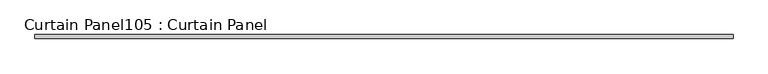
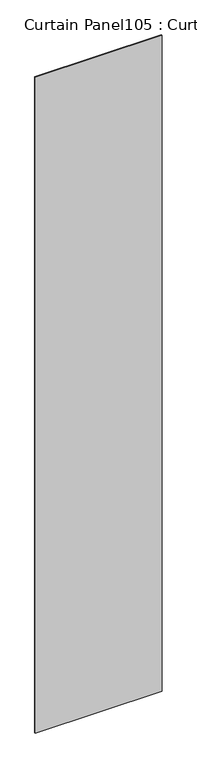
"""IFC4 building model written with IfcOpenShell, lengths in millimetres: plate geometry, Curtain Panel105 : Curtain Panel."""

import ifcopenshell
import ifcopenshell.guid

model = None  # the IFC model being written
_history = None  # IfcOwnerHistory: only IFC2X3 demands one
_inside = {}  # id of a spatial element -> (the spatial element, [elements in it])
_under = {}  # id of a project, library or spatial element -> (it, [spatial elements below it])
_declared = {}  # id of a project -> (the project, [libraries it declares])
_typed = {}  # id of a type object -> (the type object, [elements of that type])
_made_of = {}  # id of a material, layer set ... -> (it, [elements and type objects made of it])


def new_model(schema):
    """Start an empty IFC model of exactly this schema.

    Asked for "IFC4X3", IfcOpenShell would pick the latest addendum, in which some entities
    have other attributes; the version numbers below select the first issue.
    IFC2X3 requires an IfcOwnerHistory on every rooted entity: one is made here for all.
    """
    global model, _history
    if schema == "IFC4X3":
        model = ifcopenshell.file(schema_version=(4, 3, 0, 0))
    else:
        model = ifcopenshell.file(schema=schema)
    _inside.clear()
    _under.clear()
    _declared.clear()
    _typed.clear()
    _made_of.clear()
    _history = None
    if model.schema == "IFC2X3":
        org = make("IfcOrganization", Name="unknown")
        user = make(
            "IfcPersonAndOrganization",
            ThePerson=make("IfcPerson", FamilyName="unknown"),
            TheOrganization=org,
        )
        app = make(
            "IfcApplication",
            ApplicationDeveloper=org,
            Version="unknown",
            ApplicationFullName="unknown",
            ApplicationIdentifier="unknown",
        )
        _history = make(
            "IfcOwnerHistory",
            OwningUser=user,
            OwningApplication=app,
            ChangeAction="ADDED",
            CreationDate=0,
        )
    return model


def make(cls, **values):
    """One entity of the class cls with the attributes given. An attribute that is None is left unset."""
    return model.create_entity(
        cls, **{name: value for name, value in values.items() if value is not None}
    )


def rooted(cls, **values):
    """An entity with a GlobalId (a new one), such as an element, a storey or a relation."""
    return make(cls, GlobalId=ifcopenshell.guid.new(), OwnerHistory=_history, **values)


def si_unit(unit_type, name, prefix=None):
    """IfcSIUnit, for example si_unit("LENGTHUNIT", "METRE", prefix="MILLI")."""
    return make("IfcSIUnit", UnitType=unit_type, Prefix=prefix, Name=name)


def assignment(units):
    """IfcUnitAssignment: the units of a project."""
    return None if units is None else make("IfcUnitAssignment", Units=units)


def point(xyz):
    """IfcCartesianPoint."""
    return None if xyz is None else make("IfcCartesianPoint", Coordinates=xyz)


def direction(xyz):
    """IfcDirection."""
    return None if xyz is None else make("IfcDirection", DirectionRatios=xyz)


def frame(location, z_axis=None, x_axis=None):
    """IfcAxis2Placement3D, a coordinate frame: its origin and axes. An axis left out is left unset."""
    return make(
        "IfcAxis2Placement3D",
        Location=point(location),
        Axis=direction(z_axis),
        RefDirection=direction(x_axis),
    )


def origin():
    """The frame at (0, 0, 0) with its axes left unset."""
    return frame((0.0, 0.0, 0.0))


def place(relative_to, where):
    """IfcLocalPlacement: puts the frame where relative to a parent placement (None: the world)."""
    return make(
        "IfcLocalPlacement", PlacementRelTo=relative_to, RelativePlacement=where
    )


def context(
    kind, dimensions, precision=None, world=None, true_north=None, identifier=None
):
    """IfcGeometricRepresentationContext, for example the 3D "Model" context."""
    return make(
        "IfcGeometricRepresentationContext",
        ContextIdentifier=identifier,
        ContextType=kind,
        CoordinateSpaceDimension=dimensions,
        Precision=precision,
        WorldCoordinateSystem=world,
        TrueNorth=true_north,
    )


def project(units=None, contexts=None):
    """IfcProject with its units and contexts."""
    return rooted(
        "IfcProject",
        Name="project",
        RepresentationContexts=contexts,
        UnitsInContext=assignment(units),
    )


def spatial(cls, under=None, at=None, **own):
    """A site, building, storey or space (cls), placed at a placement, below another one or the project."""
    s = rooted(cls, ObjectPlacement=at, **own)
    if under is not None:
        _under.setdefault(under.id(), (under, []))[1].append(s)
    return s


def polyline(points):
    """IfcPolyline through the points."""
    return make("IfcPolyline", Points=[point(p) for p in points])


def outline(outer, holes=None, kind="AREA"):
    """IfcArbitraryClosedProfileDef: a profile drawn as a closed curve; with holes, ...WithVoids."""
    if holes is None:
        return make("IfcArbitraryClosedProfileDef", ProfileType=kind, OuterCurve=outer)
    return make(
        "IfcArbitraryProfileDefWithVoids",
        ProfileType=kind,
        OuterCurve=outer,
        InnerCurves=holes,
    )


def extrude(swept, where, along, depth):
    """IfcExtrudedAreaSolid: the profile swept, set in the frame where, extruded along a direction by depth."""
    return make(
        "IfcExtrudedAreaSolid",
        SweptArea=swept,
        Position=where,
        ExtrudedDirection=direction(along),
        Depth=depth,
    )


def shape(context_of_items, identifier, shape_type, items):
    """IfcShapeRepresentation: the items that make up one representation, for example the "Body"."""
    return make(
        "IfcShapeRepresentation",
        ContextOfItems=context_of_items,
        RepresentationIdentifier=identifier,
        RepresentationType=shape_type,
        Items=items,
    )


def source(mapping_origin, context_of_items, identifier, shape_type, items):
    """IfcRepresentationMap: a shape defined once, which mapped items show again and again."""
    return make(
        "IfcRepresentationMap",
        MappingOrigin=mapping_origin,
        MappedRepresentation=shape(context_of_items, identifier, shape_type, items),
    )


def transform(
    local_origin,
    x_axis=None,
    y_axis=None,
    z_axis=None,
    scale=None,
    scale2=None,
    scale3=None,
    uniform=True,
):
    """IfcCartesianTransformationOperator3D, or its non-uniform kind. x_axis, y_axis, z_axis: its Axis1, 2, 3."""
    if uniform:
        return make(
            "IfcCartesianTransformationOperator3D",
            Axis1=direction(x_axis),
            Axis2=direction(y_axis),
            LocalOrigin=point(local_origin),
            Scale=scale,
            Axis3=direction(z_axis),
        )
    return make(
        "IfcCartesianTransformationOperator3DnonUniform",
        Axis1=direction(x_axis),
        Axis2=direction(y_axis),
        LocalOrigin=point(local_origin),
        Scale=scale,
        Axis3=direction(z_axis),
        Scale2=scale2,
        Scale3=scale3,
    )


def mapped(mapping_source, mapping_target):
    """IfcMappedItem: shows the shape of a source again, moved by a transform."""
    return make(
        "IfcMappedItem", MappingSource=mapping_source, MappingTarget=mapping_target
    )


def made_of(thing, what):
    """Note that an element or type object is made of a material, layer set ...; save() writes the relation."""
    if what is not None:
        _made_of.setdefault(what.id(), (what, []))[1].append(thing)
    return thing


def element(
    cls,
    number,
    at=None,
    inside=None,
    cuts=None,
    type_object=None,
    material=None,
    context=None,
    identifier="Body",
    shape_type=None,
    held_by="IfcProductDefinitionShape",
    body=None,
    shapes=None,
    **own,
):
    """One element of the class cls, such as IfcWall. Its Tag is "e" and its number.

    at: its placement. inside: the storey or other place that contains it. cuts: it is an
    opening in that element (IfcRelVoidsElement). A single representation is given by context,
    identifier, shape_type and body (its items); several are given by shapes. held_by: the class
    of the entity that holds the representations. save() writes the other relations.
    """
    e = rooted(cls, Tag="e%d" % number, ObjectPlacement=at, **own)
    if body is not None:
        shapes = [shape(context, identifier, shape_type, body)]
    if shapes is not None:
        e.Representation = make(held_by, Representations=shapes)
    if inside is not None:
        _inside.setdefault(inside.id(), (inside, []))[1].append(e)
    if cuts is not None:
        rooted(
            "IfcRelVoidsElement", RelatingBuildingElement=cuts, RelatedOpeningElement=e
        )
    if type_object is not None:
        _typed.setdefault(type_object.id(), (type_object, []))[1].append(e)
    return made_of(e, material)


def aggregate(whole, parts):
    """IfcRelAggregates: a whole, such as a stair, and the parts it consists of."""
    return rooted("IfcRelAggregates", RelatingObject=whole, RelatedObjects=parts)


def save(model, path):
    """Write the relations noted so far, then the file.

    IfcRelAggregates (storeys below a building ...), IfcRelContainedInSpatialStructure (elements
    in a storey), IfcRelDefinesByType, IfcRelAssociatesMaterial and IfcRelDeclares: one each for
    every whole, place, type object, material and project.
    """
    for whole, parts in _under.values():
        aggregate(whole, parts)
    for where, things in _inside.values():
        rooted(
            "IfcRelContainedInSpatialStructure",
            RelatedElements=things,
            RelatingStructure=where,
        )
    for kind, things in _typed.values():
        rooted("IfcRelDefinesByType", RelatedObjects=things, RelatingType=kind)
    for what, things in _made_of.values():
        rooted("IfcRelAssociatesMaterial", RelatedObjects=things, RelatingMaterial=what)
    for by, libraries in _declared.values():
        rooted("IfcRelDeclares", RelatingContext=by, RelatedDefinitions=libraries)
    model.write(path)


def curtain_panel105_curtain_panel_8376084b(model_context):
    return source(origin(), model_context, "Body", "SweptSolid", [
        extrude(outline(polyline([(234088.0151593, 2363.6484836), (232955.7386393, 2363.6484836), (232955.7386393, 2369.9984836), (234088.0151593, 2369.9984836), (234088.0151593, 2363.6484836)])), frame((0.0, 0.0, 4914.2249337), z_axis=(0.0, 0.0, 1.0), x_axis=(1.0, 0.0, 0.0)), (0.0, 0.0, 1.0), 6186.1483186),
    ])


if __name__ == "__main__":
    model = new_model("IFC4")
    model_context = context("Model", 3, world=origin())
    ifc_project = project(units=[si_unit("LENGTHUNIT", "METRE", prefix="MILLI")], contexts=[model_context])
    site = spatial("IfcSite", under=ifc_project)
    building = spatial("IfcBuilding", under=site)
    placement = place(None, origin())
    curtain_panel105_curtain_panel_shape = curtain_panel105_curtain_panel_8376084b(model_context)
    element("IfcPlate", 1, ObjectType="Curtain Panel105 : Curtain Panel", at=placement, inside=building, context=model_context, shape_type="MappedRepresentation", body=[
        mapped(curtain_panel105_curtain_panel_shape, transform((0.0, 0.0, 0.0), x_axis=(1.0, 0.0, 0.0), y_axis=(0.0, 1.0, 0.0), z_axis=(0.0, 0.0, 1.0))),
    ])
    save(model, "model.ifc")
